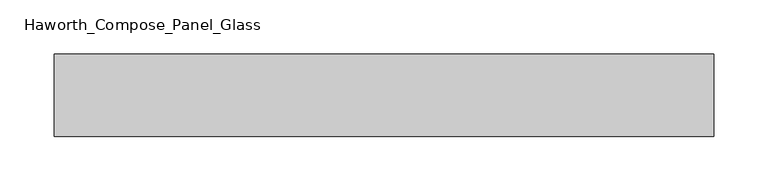
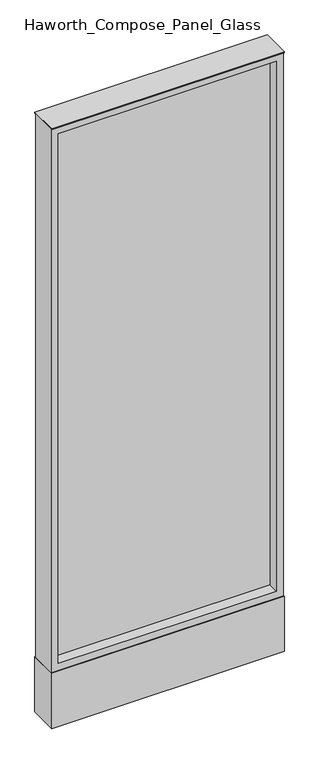
"""IFC4 building model written with IfcOpenShell, lengths in millimetres: furniture geometry, Haworth_Compose_Panel_Glass."""

import ifcopenshell
import ifcopenshell.guid

model = None  # the IFC model being written
_history = None  # IfcOwnerHistory: only IFC2X3 demands one
_inside = {}  # id of a spatial element -> (the spatial element, [elements in it])
_under = {}  # id of a project, library or spatial element -> (it, [spatial elements below it])
_declared = {}  # id of a project -> (the project, [libraries it declares])
_typed = {}  # id of a type object -> (the type object, [elements of that type])
_made_of = {}  # id of a material, layer set ... -> (it, [elements and type objects made of it])


def new_model(schema):
    """Start an empty IFC model of exactly this schema.

    Asked for "IFC4X3", IfcOpenShell would pick the latest addendum, in which some entities
    have other attributes; the version numbers below select the first issue.
    IFC2X3 requires an IfcOwnerHistory on every rooted entity: one is made here for all.
    """
    global model, _history
    if schema == "IFC4X3":
        model = ifcopenshell.file(schema_version=(4, 3, 0, 0))
    else:
        model = ifcopenshell.file(schema=schema)
    _inside.clear()
    _under.clear()
    _declared.clear()
    _typed.clear()
    _made_of.clear()
    _history = None
    if model.schema == "IFC2X3":
        org = make("IfcOrganization", Name="unknown")
        user = make(
            "IfcPersonAndOrganization",
            ThePerson=make("IfcPerson", FamilyName="unknown"),
            TheOrganization=org,
        )
        app = make(
            "IfcApplication",
            ApplicationDeveloper=org,
            Version="unknown",
            ApplicationFullName="unknown",
            ApplicationIdentifier="unknown",
        )
        _history = make(
            "IfcOwnerHistory",
            OwningUser=user,
            OwningApplication=app,
            ChangeAction="ADDED",
            CreationDate=0,
        )
    return model


def make(cls, **values):
    """One entity of the class cls with the attributes given. An attribute that is None is left unset."""
    return model.create_entity(
        cls, **{name: value for name, value in values.items() if value is not None}
    )


def rooted(cls, **values):
    """An entity with a GlobalId (a new one), such as an element, a storey or a relation."""
    return make(cls, GlobalId=ifcopenshell.guid.new(), OwnerHistory=_history, **values)


def si_unit(unit_type, name, prefix=None):
    """IfcSIUnit, for example si_unit("LENGTHUNIT", "METRE", prefix="MILLI")."""
    return make("IfcSIUnit", UnitType=unit_type, Prefix=prefix, Name=name)


def assignment(units):
    """IfcUnitAssignment: the units of a project."""
    return None if units is None else make("IfcUnitAssignment", Units=units)


def point(xyz):
    """IfcCartesianPoint."""
    return None if xyz is None else make("IfcCartesianPoint", Coordinates=xyz)


def direction(xyz):
    """IfcDirection."""
    return None if xyz is None else make("IfcDirection", DirectionRatios=xyz)


def frame(location, z_axis=None, x_axis=None):
    """IfcAxis2Placement3D, a coordinate frame: its origin and axes. An axis left out is left unset."""
    return make(
        "IfcAxis2Placement3D",
        Location=point(location),
        Axis=direction(z_axis),
        RefDirection=direction(x_axis),
    )


def frame_2d(location, x_axis=None):
    """IfcAxis2Placement2D, a coordinate frame in the plane: its origin and x axis."""
    return make(
        "IfcAxis2Placement2D", Location=point(location), RefDirection=direction(x_axis)
    )


def origin():
    """The frame at (0, 0, 0) with its axes left unset."""
    return frame((0.0, 0.0, 0.0))


def origin_with_axes():
    """The frame at (0, 0, 0) with the z axis (0, 0, 1) and the x axis (1, 0, 0) written out."""
    return frame((0.0, 0.0, 0.0), z_axis=(0.0, 0.0, 1.0), x_axis=(1.0, 0.0, 0.0))


def place(relative_to, where):
    """IfcLocalPlacement: puts the frame where relative to a parent placement (None: the world)."""
    return make(
        "IfcLocalPlacement", PlacementRelTo=relative_to, RelativePlacement=where
    )


def context(
    kind, dimensions, precision=None, world=None, true_north=None, identifier=None
):
    """IfcGeometricRepresentationContext, for example the 3D "Model" context."""
    return make(
        "IfcGeometricRepresentationContext",
        ContextIdentifier=identifier,
        ContextType=kind,
        CoordinateSpaceDimension=dimensions,
        Precision=precision,
        WorldCoordinateSystem=world,
        TrueNorth=true_north,
    )


def project(units=None, contexts=None):
    """IfcProject with its units and contexts."""
    return rooted(
        "IfcProject",
        Name="project",
        RepresentationContexts=contexts,
        UnitsInContext=assignment(units),
    )


def spatial(cls, under=None, at=None, **own):
    """A site, building, storey or space (cls), placed at a placement, below another one or the project."""
    s = rooted(cls, ObjectPlacement=at, **own)
    if under is not None:
        _under.setdefault(under.id(), (under, []))[1].append(s)
    return s


def polyline(points):
    """IfcPolyline through the points."""
    return make("IfcPolyline", Points=[point(p) for p in points])


def circle_curve(where, radius):
    """IfcCircle in the frame where."""
    return make("IfcCircle", Position=where, Radius=radius)


def trimmed(basis, trim1, trim2, sense, master):
    """IfcTrimmedCurve: the piece of a basis curve between two trims."""
    return make(
        "IfcTrimmedCurve",
        BasisCurve=basis,
        Trim1=trim1,
        Trim2=trim2,
        SenseAgreement=sense,
        MasterRepresentation=master,
    )


def segment(curve, same_sense, transition):
    """IfcCompositeCurveSegment."""
    return make(
        "IfcCompositeCurveSegment",
        Transition=transition,
        SameSense=same_sense,
        ParentCurve=curve,
    )


def composite_curve(segments, self_intersect=None):
    """IfcCompositeCurve: segments joined end to end."""
    return make("IfcCompositeCurve", Segments=segments, SelfIntersect=self_intersect)


def outline(outer, holes=None, kind="AREA"):
    """IfcArbitraryClosedProfileDef: a profile drawn as a closed curve; with holes, ...WithVoids."""
    if holes is None:
        return make("IfcArbitraryClosedProfileDef", ProfileType=kind, OuterCurve=outer)
    return make(
        "IfcArbitraryProfileDefWithVoids",
        ProfileType=kind,
        OuterCurve=outer,
        InnerCurves=holes,
    )


def extrude(swept, where, along, depth):
    """IfcExtrudedAreaSolid: the profile swept, set in the frame where, extruded along a direction by depth."""
    return make(
        "IfcExtrudedAreaSolid",
        SweptArea=swept,
        Position=where,
        ExtrudedDirection=direction(along),
        Depth=depth,
    )


def shape(context_of_items, identifier, shape_type, items):
    """IfcShapeRepresentation: the items that make up one representation, for example the "Body"."""
    return make(
        "IfcShapeRepresentation",
        ContextOfItems=context_of_items,
        RepresentationIdentifier=identifier,
        RepresentationType=shape_type,
        Items=items,
    )


def source(mapping_origin, context_of_items, identifier, shape_type, items):
    """IfcRepresentationMap: a shape defined once, which mapped items show again and again."""
    return make(
        "IfcRepresentationMap",
        MappingOrigin=mapping_origin,
        MappedRepresentation=shape(context_of_items, identifier, shape_type, items),
    )


def transform(
    local_origin,
    x_axis=None,
    y_axis=None,
    z_axis=None,
    scale=None,
    scale2=None,
    scale3=None,
    uniform=True,
):
    """IfcCartesianTransformationOperator3D, or its non-uniform kind. x_axis, y_axis, z_axis: its Axis1, 2, 3."""
    if uniform:
        return make(
            "IfcCartesianTransformationOperator3D",
            Axis1=direction(x_axis),
            Axis2=direction(y_axis),
            LocalOrigin=point(local_origin),
            Scale=scale,
            Axis3=direction(z_axis),
        )
    return make(
        "IfcCartesianTransformationOperator3DnonUniform",
        Axis1=direction(x_axis),
        Axis2=direction(y_axis),
        LocalOrigin=point(local_origin),
        Scale=scale,
        Axis3=direction(z_axis),
        Scale2=scale2,
        Scale3=scale3,
    )


def mapped(mapping_source, mapping_target):
    """IfcMappedItem: shows the shape of a source again, moved by a transform."""
    return make(
        "IfcMappedItem", MappingSource=mapping_source, MappingTarget=mapping_target
    )


def made_of(thing, what):
    """Note that an element or type object is made of a material, layer set ...; save() writes the relation."""
    if what is not None:
        _made_of.setdefault(what.id(), (what, []))[1].append(thing)
    return thing


def element(
    cls,
    number,
    at=None,
    inside=None,
    cuts=None,
    type_object=None,
    material=None,
    context=None,
    identifier="Body",
    shape_type=None,
    held_by="IfcProductDefinitionShape",
    body=None,
    shapes=None,
    **own,
):
    """One element of the class cls, such as IfcWall. Its Tag is "e" and its number.

    at: its placement. inside: the storey or other place that contains it. cuts: it is an
    opening in that element (IfcRelVoidsElement). A single representation is given by context,
    identifier, shape_type and body (its items); several are given by shapes. held_by: the class
    of the entity that holds the representations. save() writes the other relations.
    """
    e = rooted(cls, Tag="e%d" % number, ObjectPlacement=at, **own)
    if body is not None:
        shapes = [shape(context, identifier, shape_type, body)]
    if shapes is not None:
        e.Representation = make(held_by, Representations=shapes)
    if inside is not None:
        _inside.setdefault(inside.id(), (inside, []))[1].append(e)
    if cuts is not None:
        rooted(
            "IfcRelVoidsElement", RelatingBuildingElement=cuts, RelatedOpeningElement=e
        )
    if type_object is not None:
        _typed.setdefault(type_object.id(), (type_object, []))[1].append(e)
    return made_of(e, material)


def aggregate(whole, parts):
    """IfcRelAggregates: a whole, such as a stair, and the parts it consists of."""
    return rooted("IfcRelAggregates", RelatingObject=whole, RelatedObjects=parts)


def save(model, path):
    """Write the relations noted so far, then the file.

    IfcRelAggregates (storeys below a building ...), IfcRelContainedInSpatialStructure (elements
    in a storey), IfcRelDefinesByType, IfcRelAssociatesMaterial and IfcRelDeclares: one each for
    every whole, place, type object, material and project.
    """
    for whole, parts in _under.values():
        aggregate(whole, parts)
    for where, things in _inside.values():
        rooted(
            "IfcRelContainedInSpatialStructure",
            RelatedElements=things,
            RelatingStructure=where,
        )
    for kind, things in _typed.values():
        rooted("IfcRelDefinesByType", RelatedObjects=things, RelatingType=kind)
    for what, things in _made_of.values():
        rooted("IfcRelAssociatesMaterial", RelatedObjects=things, RelatingMaterial=what)
    for by, libraries in _declared.values():
        rooted("IfcRelDeclares", RelatingContext=by, RelatedDefinitions=libraries)
    model.write(path)


def haworth_compose_panel_glass_417d2d2e(model_context):
    return source(origin(), model_context, "Body", "SweptSolid", [
        extrude(outline(composite_curve([segment(trimmed(circle_curve(frame_2d((231.0402902, 0.0)), 12.7), [point((218.3402902, 0.0))], [point((243.7402902, 0.0))], False, "CARTESIAN"), True, "CONTINUOUS"), segment(trimmed(circle_curve(frame_2d((231.0402902, 0.0)), 12.7), [point((243.7402902, 0.0))], [point((218.3402902, 0.0))], False, "CARTESIAN"), True, "CONTINUOUS")], self_intersect=False)), origin_with_axes(), (0.0, 0.0, 1.0), 12.7),
        extrude(outline(composite_curve([segment(trimmed(circle_curve(frame_2d((-226.1597098, 0.0)), 12.7), [point((-238.8597098, 0.0))], [point((-213.4597098, 0.0))], False, "CARTESIAN"), True, "CONTINUOUS"), segment(trimmed(circle_curve(frame_2d((-226.1597098, 0.0)), 12.7), [point((-213.4597098, 0.0))], [point((-238.8597098, 0.0))], False, "CARTESIAN"), True, "CONTINUOUS")], self_intersect=False)), origin_with_axes(), (0.0, 0.0, 1.0), 12.7),
        extrude(outline(polyline([(288.1902902, -6.35), (-283.3097098, -6.35), (-283.3097098, 6.35), (288.1902902, 6.35), (288.1902902, -6.35)])), frame((0.0, 0.0, 184.15), z_axis=(0.0, 0.0, 1.0), x_axis=(1.0, 0.0, 0.0)), (0.0, 0.0, 1.0), 1466.85),
        extrude(outline(polyline([(1670.05, -302.3597098), (165.1, -302.3597098), (165.1, 307.2402902), (1670.05, 307.2402902), (1670.05, -302.3597098)]), holes=[polyline([(1651.0, 288.1902902), (184.15, 288.1902902), (184.15, -283.3097098), (1651.0, -283.3097098), (1651.0, 288.1902902)])]), frame((0.0, -34.925, 0.0), z_axis=(0.0, 1.0, 0.0), x_axis=(0.0, 0.0, 1.0)), (0.0, 0.0, 1.0), 69.85),
        extrude(outline(polyline([(-302.3597098, 38.1), (307.2402902, 38.1), (307.2402902, -38.1), (-302.3597098, -38.1), (-302.3597098, 38.1)])), frame((0.0, 0.0, 12.7), z_axis=(0.0, 0.0, 1.0), x_axis=(1.0, 0.0, 0.0)), (0.0, 0.0, 1.0), 152.4),
        extrude(outline(polyline([(-302.3597098, -38.1), (-302.3597098, 38.1), (307.2402902, 38.1), (307.2402902, -38.1), (-302.3597098, -38.1)])), frame((0.0, 0.0, 1670.05), z_axis=(0.0, 0.0, 1.0), x_axis=(1.0, 0.0, 0.0)), (0.0, 0.0, 1.0), 3.175),
    ])


if __name__ == "__main__":
    model = new_model("IFC4")
    model_context = context("Model", 3, world=origin())
    ifc_project = project(units=[si_unit("LENGTHUNIT", "METRE", prefix="MILLI")], contexts=[model_context])
    site = spatial("IfcSite", under=ifc_project)
    building = spatial("IfcBuilding", under=site)
    placement = place(None, origin())
    haworth_compose_panel_glass_shape = haworth_compose_panel_glass_417d2d2e(model_context)
    element("IfcFurniture", 1, ObjectType="Haworth_Compose_Panel_Glass", at=placement, inside=building, context=model_context, shape_type="MappedRepresentation", body=[
        mapped(haworth_compose_panel_glass_shape, transform((0.0, 0.0, 0.0), x_axis=(1.0, 0.0, 0.0), y_axis=(0.0, 1.0, 0.0), z_axis=(0.0, 0.0, 1.0))),
    ])
    save(model, "model.ifc")
